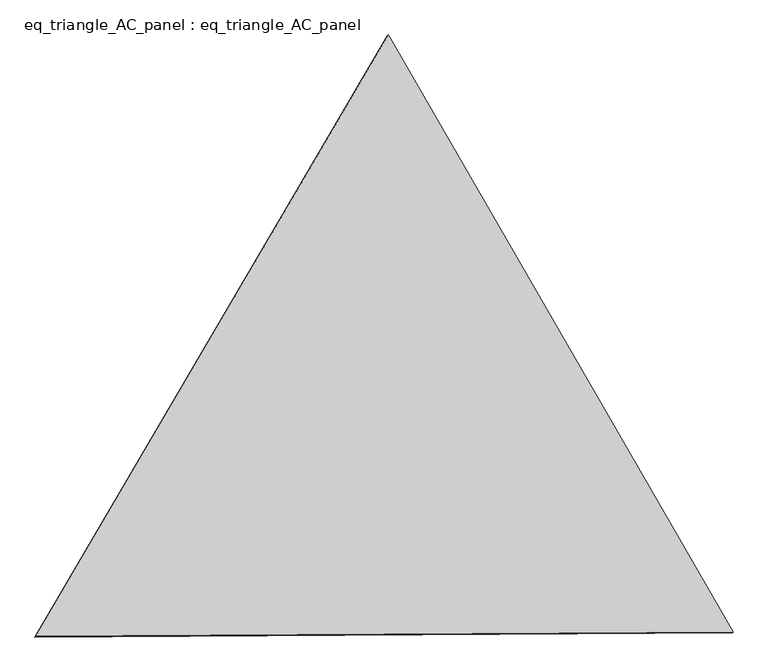
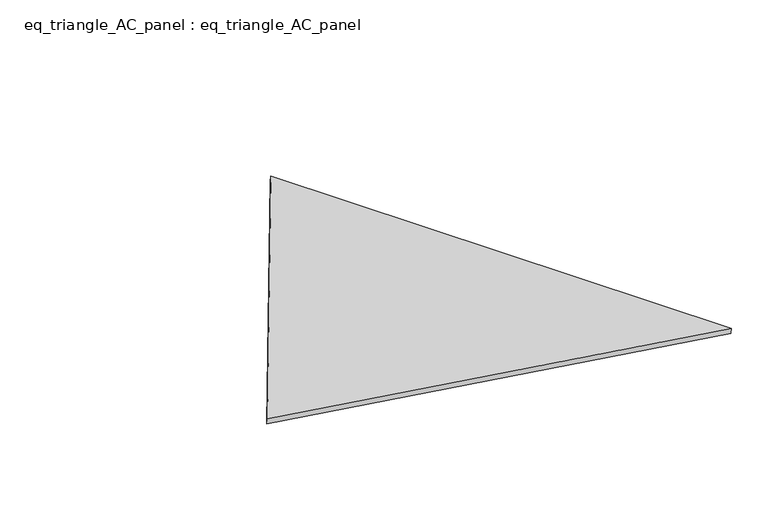
"""IFC4 building model written with IfcOpenShell, lengths in millimetres: proxy geometry, eq_triangle_AC_panel : eq_triangle_AC_panel."""

import ifcopenshell
import ifcopenshell.guid

model = None  # the IFC model being written
_history = None  # IfcOwnerHistory: only IFC2X3 demands one
_inside = {}  # id of a spatial element -> (the spatial element, [elements in it])
_under = {}  # id of a project, library or spatial element -> (it, [spatial elements below it])
_declared = {}  # id of a project -> (the project, [libraries it declares])
_typed = {}  # id of a type object -> (the type object, [elements of that type])
_made_of = {}  # id of a material, layer set ... -> (it, [elements and type objects made of it])


def new_model(schema):
    """Start an empty IFC model of exactly this schema.

    Asked for "IFC4X3", IfcOpenShell would pick the latest addendum, in which some entities
    have other attributes; the version numbers below select the first issue.
    IFC2X3 requires an IfcOwnerHistory on every rooted entity: one is made here for all.
    """
    global model, _history
    if schema == "IFC4X3":
        model = ifcopenshell.file(schema_version=(4, 3, 0, 0))
    else:
        model = ifcopenshell.file(schema=schema)
    _inside.clear()
    _under.clear()
    _declared.clear()
    _typed.clear()
    _made_of.clear()
    _history = None
    if model.schema == "IFC2X3":
        org = make("IfcOrganization", Name="unknown")
        user = make(
            "IfcPersonAndOrganization",
            ThePerson=make("IfcPerson", FamilyName="unknown"),
            TheOrganization=org,
        )
        app = make(
            "IfcApplication",
            ApplicationDeveloper=org,
            Version="unknown",
            ApplicationFullName="unknown",
            ApplicationIdentifier="unknown",
        )
        _history = make(
            "IfcOwnerHistory",
            OwningUser=user,
            OwningApplication=app,
            ChangeAction="ADDED",
            CreationDate=0,
        )
    return model


def make(cls, **values):
    """One entity of the class cls with the attributes given. An attribute that is None is left unset."""
    return model.create_entity(
        cls, **{name: value for name, value in values.items() if value is not None}
    )


def rooted(cls, **values):
    """An entity with a GlobalId (a new one), such as an element, a storey or a relation."""
    return make(cls, GlobalId=ifcopenshell.guid.new(), OwnerHistory=_history, **values)


def si_unit(unit_type, name, prefix=None):
    """IfcSIUnit, for example si_unit("LENGTHUNIT", "METRE", prefix="MILLI")."""
    return make("IfcSIUnit", UnitType=unit_type, Prefix=prefix, Name=name)


def assignment(units):
    """IfcUnitAssignment: the units of a project."""
    return None if units is None else make("IfcUnitAssignment", Units=units)


def point(xyz):
    """IfcCartesianPoint."""
    return None if xyz is None else make("IfcCartesianPoint", Coordinates=xyz)


def direction(xyz):
    """IfcDirection."""
    return None if xyz is None else make("IfcDirection", DirectionRatios=xyz)


def frame(location, z_axis=None, x_axis=None):
    """IfcAxis2Placement3D, a coordinate frame: its origin and axes. An axis left out is left unset."""
    return make(
        "IfcAxis2Placement3D",
        Location=point(location),
        Axis=direction(z_axis),
        RefDirection=direction(x_axis),
    )


def origin():
    """The frame at (0, 0, 0) with its axes left unset."""
    return frame((0.0, 0.0, 0.0))


def place(relative_to, where):
    """IfcLocalPlacement: puts the frame where relative to a parent placement (None: the world)."""
    return make(
        "IfcLocalPlacement", PlacementRelTo=relative_to, RelativePlacement=where
    )


def context(
    kind, dimensions, precision=None, world=None, true_north=None, identifier=None
):
    """IfcGeometricRepresentationContext, for example the 3D "Model" context."""
    return make(
        "IfcGeometricRepresentationContext",
        ContextIdentifier=identifier,
        ContextType=kind,
        CoordinateSpaceDimension=dimensions,
        Precision=precision,
        WorldCoordinateSystem=world,
        TrueNorth=true_north,
    )


def project(units=None, contexts=None):
    """IfcProject with its units and contexts."""
    return rooted(
        "IfcProject",
        Name="project",
        RepresentationContexts=contexts,
        UnitsInContext=assignment(units),
    )


def spatial(cls, under=None, at=None, **own):
    """A site, building, storey or space (cls), placed at a placement, below another one or the project."""
    s = rooted(cls, ObjectPlacement=at, **own)
    if under is not None:
        _under.setdefault(under.id(), (under, []))[1].append(s)
    return s


def polyline(points):
    """IfcPolyline through the points."""
    return make("IfcPolyline", Points=[point(p) for p in points])


def outline(outer, holes=None, kind="AREA"):
    """IfcArbitraryClosedProfileDef: a profile drawn as a closed curve; with holes, ...WithVoids."""
    if holes is None:
        return make("IfcArbitraryClosedProfileDef", ProfileType=kind, OuterCurve=outer)
    return make(
        "IfcArbitraryProfileDefWithVoids",
        ProfileType=kind,
        OuterCurve=outer,
        InnerCurves=holes,
    )


def extrude(swept, where, along, depth):
    """IfcExtrudedAreaSolid: the profile swept, set in the frame where, extruded along a direction by depth."""
    return make(
        "IfcExtrudedAreaSolid",
        SweptArea=swept,
        Position=where,
        ExtrudedDirection=direction(along),
        Depth=depth,
    )


def shape(context_of_items, identifier, shape_type, items):
    """IfcShapeRepresentation: the items that make up one representation, for example the "Body"."""
    return make(
        "IfcShapeRepresentation",
        ContextOfItems=context_of_items,
        RepresentationIdentifier=identifier,
        RepresentationType=shape_type,
        Items=items,
    )


def source(mapping_origin, context_of_items, identifier, shape_type, items):
    """IfcRepresentationMap: a shape defined once, which mapped items show again and again."""
    return make(
        "IfcRepresentationMap",
        MappingOrigin=mapping_origin,
        MappedRepresentation=shape(context_of_items, identifier, shape_type, items),
    )


def transform(
    local_origin,
    x_axis=None,
    y_axis=None,
    z_axis=None,
    scale=None,
    scale2=None,
    scale3=None,
    uniform=True,
):
    """IfcCartesianTransformationOperator3D, or its non-uniform kind. x_axis, y_axis, z_axis: its Axis1, 2, 3."""
    if uniform:
        return make(
            "IfcCartesianTransformationOperator3D",
            Axis1=direction(x_axis),
            Axis2=direction(y_axis),
            LocalOrigin=point(local_origin),
            Scale=scale,
            Axis3=direction(z_axis),
        )
    return make(
        "IfcCartesianTransformationOperator3DnonUniform",
        Axis1=direction(x_axis),
        Axis2=direction(y_axis),
        LocalOrigin=point(local_origin),
        Scale=scale,
        Axis3=direction(z_axis),
        Scale2=scale2,
        Scale3=scale3,
    )


def mapped(mapping_source, mapping_target):
    """IfcMappedItem: shows the shape of a source again, moved by a transform."""
    return make(
        "IfcMappedItem", MappingSource=mapping_source, MappingTarget=mapping_target
    )


def made_of(thing, what):
    """Note that an element or type object is made of a material, layer set ...; save() writes the relation."""
    if what is not None:
        _made_of.setdefault(what.id(), (what, []))[1].append(thing)
    return thing


def element(
    cls,
    number,
    at=None,
    inside=None,
    cuts=None,
    type_object=None,
    material=None,
    context=None,
    identifier="Body",
    shape_type=None,
    held_by="IfcProductDefinitionShape",
    body=None,
    shapes=None,
    **own,
):
    """One element of the class cls, such as IfcWall. Its Tag is "e" and its number.

    at: its placement. inside: the storey or other place that contains it. cuts: it is an
    opening in that element (IfcRelVoidsElement). A single representation is given by context,
    identifier, shape_type and body (its items); several are given by shapes. held_by: the class
    of the entity that holds the representations. save() writes the other relations.
    """
    e = rooted(cls, Tag="e%d" % number, ObjectPlacement=at, **own)
    if body is not None:
        shapes = [shape(context, identifier, shape_type, body)]
    if shapes is not None:
        e.Representation = make(held_by, Representations=shapes)
    if inside is not None:
        _inside.setdefault(inside.id(), (inside, []))[1].append(e)
    if cuts is not None:
        rooted(
            "IfcRelVoidsElement", RelatingBuildingElement=cuts, RelatedOpeningElement=e
        )
    if type_object is not None:
        _typed.setdefault(type_object.id(), (type_object, []))[1].append(e)
    return made_of(e, material)


def aggregate(whole, parts):
    """IfcRelAggregates: a whole, such as a stair, and the parts it consists of."""
    return rooted("IfcRelAggregates", RelatingObject=whole, RelatedObjects=parts)


def save(model, path):
    """Write the relations noted so far, then the file.

    IfcRelAggregates (storeys below a building ...), IfcRelContainedInSpatialStructure (elements
    in a storey), IfcRelDefinesByType, IfcRelAssociatesMaterial and IfcRelDeclares: one each for
    every whole, place, type object, material and project.
    """
    for whole, parts in _under.values():
        aggregate(whole, parts)
    for where, things in _inside.values():
        rooted(
            "IfcRelContainedInSpatialStructure",
            RelatedElements=things,
            RelatingStructure=where,
        )
    for kind, things in _typed.values():
        rooted("IfcRelDefinesByType", RelatedObjects=things, RelatingType=kind)
    for what, things in _made_of.values():
        rooted("IfcRelAssociatesMaterial", RelatedObjects=things, RelatingMaterial=what)
    for by, libraries in _declared.values():
        rooted("IfcRelDeclares", RelatingContext=by, RelatedDefinitions=libraries)
    model.write(path)


def eq_triangle_ac_panel_eq_triangle_ac_panel_bc6c423f(model_context):
    return source(origin(), model_context, "Body", "SweptSolid", [
        extrude(outline(polyline([(-2017.7410617, 1198.9367817), (2017.7410616, 1198.9367817), (-1e-07, -2397.8735635), (-2017.7410617, 1198.9367817)])), frame((-6.3631761, 524.2531996, 46.6143561), z_axis=(0.14526328518478876, 0.08386570282045051, 0.985832197621763), x_axis=(0.5000027697420971, -0.8660238046639074, -2.3836681912556808e-06)), (0.0, 0.0, 1.0), 43.8306294),
    ])


if __name__ == "__main__":
    model = new_model("IFC4")
    model_context = context("Model", 3, world=origin())
    ifc_project = project(units=[si_unit("LENGTHUNIT", "METRE", prefix="MILLI")], contexts=[model_context])
    site = spatial("IfcSite", under=ifc_project)
    building = spatial("IfcBuilding", under=site)
    placement = place(None, origin())
    eq_triangle_ac_panel_eq_triangle_ac_panel_shape = eq_triangle_ac_panel_eq_triangle_ac_panel_bc6c423f(model_context)
    element("IfcBuildingElementProxy", 1, Name="eq_triangle_AC_panel : eq_triangle_AC_panel", ObjectType="eq_triangle_AC_panel : eq_triangle_AC_panel", at=placement, inside=building, context=model_context, shape_type="MappedRepresentation", body=[
        mapped(eq_triangle_ac_panel_eq_triangle_ac_panel_shape, transform((0.0, 0.0, 0.0), x_axis=(1.0, 0.0, 0.0), y_axis=(0.0, 1.0, 0.0), z_axis=(0.0, 0.0, 1.0))),
    ])
    save(model, "model.ifc")
